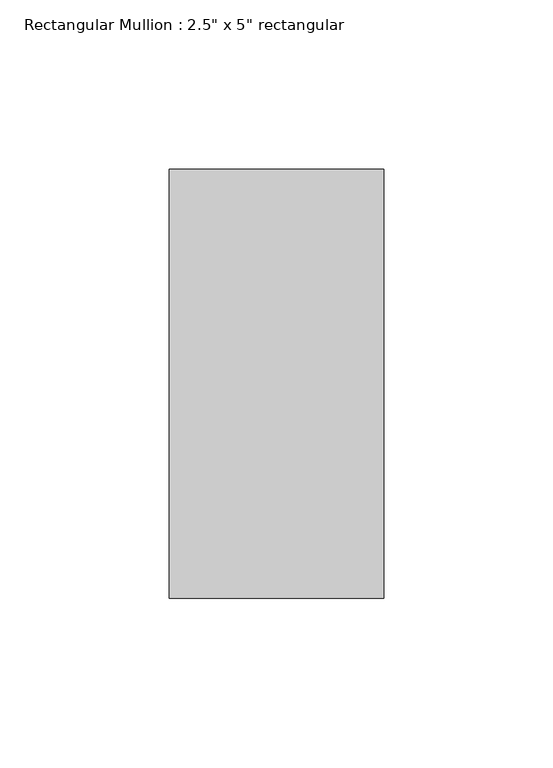
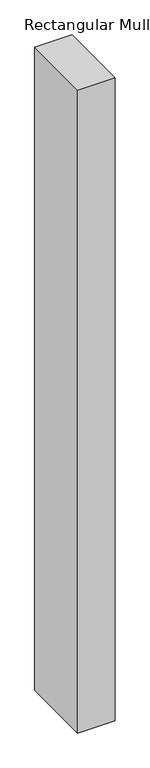
"""IFC4 building model written with IfcOpenShell, lengths in millimetres: member geometry."""

from ifc_helpers import new_model, si_unit, frame, origin, place, context, project, spatial, polyline, outline, extrude, source, transform, mapped, element, save


def member_3e1a8be4(model_context):
    return source(origin(), model_context, "Body", "SweptSolid", [
        extrude(outline(polyline([(31.75, 63.5), (31.75, -63.5), (-31.75, -63.5), (-31.75, 63.5), (31.75, 63.5)])), frame((0.0, 0.0, -1157.2875), z_axis=(0.0, 0.0, 1.0), x_axis=(1.0, 0.0, 0.0)), (0.0, 0.0, 1.0), 1157.2875),
    ])


if __name__ == "__main__":
    model = new_model("IFC4")
    model_context = context("Model", 3, world=origin())
    ifc_project = project(units=[si_unit("LENGTHUNIT", "METRE", prefix="MILLI")], contexts=[model_context])
    site = spatial("IfcSite", under=ifc_project)
    building = spatial("IfcBuilding", under=site)
    placement = place(None, origin())
    member_shape = member_3e1a8be4(model_context)
    element("IfcMember", 1, ObjectType="Rectangular Mullion : 2.5\" x 5\" rectangular", at=placement, inside=building, context=model_context, shape_type="MappedRepresentation", body=[
        mapped(member_shape, transform((0.0, 0.0, 0.0), x_axis=(1.0, 0.0, 0.0), y_axis=(0.0, 1.0, 0.0), z_axis=(0.0, 0.0, 1.0))),
    ])
    save(model, "model.ifc")
